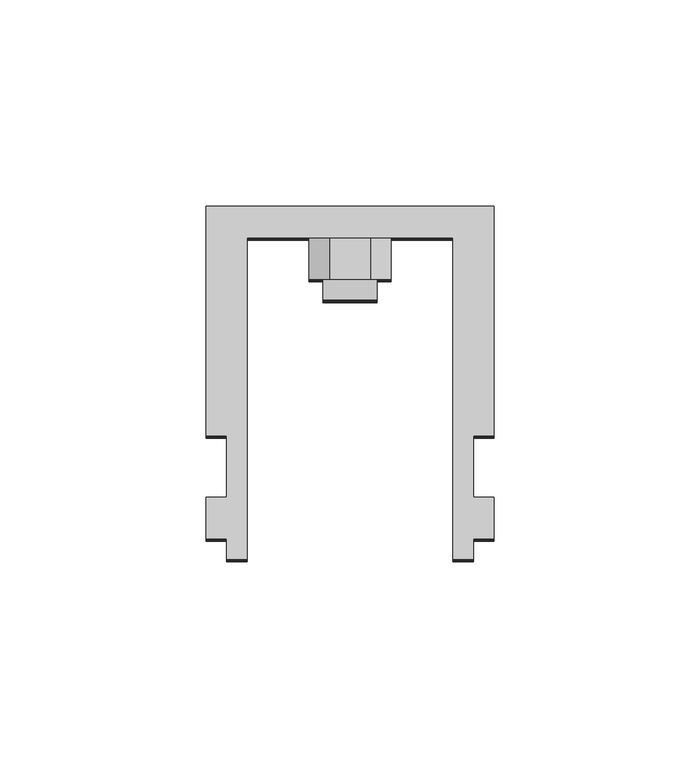
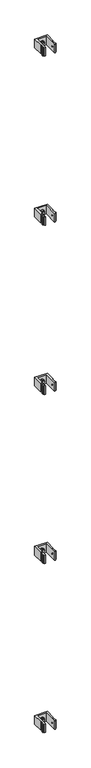
"""IFC4 building model written with IfcOpenShell, lengths in millimetres: plate geometry."""

from ifc_helpers import new_model, si_unit, point, frame, frame_2d, origin, place, context, project, spatial, polyline, circle_curve, trimmed, segment, composite_curve, outline, extrude, source, transform, mapped, element, save
from ifc_brep_helpers import plane_surface, revolved_surface, advanced_brep


def plate_3497cc2c(model_context):
    return source(origin(), model_context, "Body", "SolidModel", [
        advanced_brep(
        [(35.0, 0.0, 3012.5), (-35.0, 0.0, 3012.5), (-35.0, -55.7, 3012.5), (-30.0, -55.7, 3012.5), (-30.0, -70.7, 3012.5), (-35.0, -70.7, 3012.5), (-35.0, -80.7, 3012.5), (-30.0, -80.7, 3012.5), (-30.0, -85.7, 3012.5), (-25.0, -85.7, 3012.5), (-25.0, -7.6780796, 3012.5), (25.0, -7.6780796, 3012.5), (25.0, -85.7, 3012.5), (30.0, -85.7, 3012.5), (30.0, -80.7, 3012.5), (35.0, -80.7, 3012.5), (35.0, -70.7, 3012.5), (30.0, -70.7, 3012.5), (30.0, -55.7, 3012.5), (35.0, -55.7, 3012.5), (35.0, 0.0, 2962.5), (35.0, -55.7, 2962.5), (30.0, -55.7, 2962.5), (30.0, -70.7, 2962.5), (35.0, -70.7, 2962.5), (35.0, -80.7, 2962.5), (30.0, -80.7, 2962.5), (30.0, -85.7, 2962.5), (25.0, -85.7, 2962.5), (25.0, -7.6780796, 2962.5), (-25.0, -7.6780796, 2962.5), (-25.0, -85.7, 2962.5), (-30.0, -85.7, 2962.5), (-30.0, -80.7, 2962.5), (-35.0, -80.7, 2962.5), (-35.0, -70.7, 2962.5), (-30.0, -70.7, 2962.5), (-30.0, -55.7, 2962.5), (-35.0, -55.7, 2962.5), (-35.0, 0.0, 2962.5), (25.0, -60.6624208, 2987.5), (25.0, -65.7375792, 2987.5), (-25.0, -65.7375792, 2987.5), (-25.0, -60.6624208, 2987.5), (30.0, -65.7375792, 2987.5), (30.0, -60.6624208, 2987.5), (-30.0, -60.6624208, 2987.5), (-30.0, -65.7375792, 2987.5)],
        [
            (0, 1),
            (1, 2),
            (2, 3),
            (3, 4),
            (4, 5),
            (5, 6),
            (6, 7),
            (7, 8),
            (8, 9),
            (9, 10),
            (10, 11),
            (11, 12),
            (12, 13),
            (13, 14),
            (14, 15),
            (15, 16),
            (16, 17),
            (17, 18),
            (18, 19),
            (19, 0),
            (20, 21),
            (21, 22),
            (22, 23),
            (23, 24),
            (24, 25),
            (25, 26),
            (26, 27),
            (27, 28),
            (28, 29),
            (29, 30),
            (30, 31),
            (31, 32),
            (32, 33),
            (33, 34),
            (34, 35),
            (35, 36),
            (36, 37),
            (37, 38),
            (38, 39),
            (39, 20),
            (19, 21),
            (20, 0),
            (14, 26),
            (25, 15),
            (13, 27),
            (12, 28),
            (11, 29),
            (40, 41, circle_curve(frame((25.0, -63.2, 2987.5), z_axis=(1.0, 0.0, 0.0), x_axis=(0.0, 1.0, 0.0)), 2.5375792)),
            (41, 40, circle_curve(frame((25.0, -63.2, 2987.5), z_axis=(1.0, 0.0, 0.0), x_axis=(0.0, 1.0, 0.0)), 2.5375792)),
            (10, 30),
            (9, 31),
            (42, 43, circle_curve(frame((-25.0, -63.2, 2987.5), z_axis=(-1.0, 0.0, 0.0), x_axis=(0.0, 1.0, 0.0)), 2.5375792)),
            (43, 42, circle_curve(frame((-25.0, -63.2, 2987.5), z_axis=(-1.0, 0.0, 0.0), x_axis=(0.0, 1.0, 0.0)), 2.5375792)),
            (8, 32),
            (7, 33),
            (6, 34),
            (1, 39),
            (38, 2),
            (18, 22),
            (17, 23),
            (44, 45, circle_curve(frame((30.0, -63.2, 2987.5), z_axis=(-1.0, 0.0, 0.0), x_axis=(0.0, 1.0, 0.0)), 2.5375792)),
            (45, 44, circle_curve(frame((30.0, -63.2, 2987.5), z_axis=(-1.0, 0.0, 0.0), x_axis=(0.0, 1.0, 0.0)), 2.5375792)),
            (16, 24),
            (5, 35),
            (4, 36),
            (3, 37),
            (46, 47, circle_curve(frame((-30.0, -63.2, 2987.5), z_axis=(1.0, 0.0, 0.0), x_axis=(0.0, 1.0, 0.0)), 2.5375792)),
            (47, 46, circle_curve(frame((-30.0, -63.2, 2987.5), z_axis=(1.0, 0.0, 0.0), x_axis=(0.0, 1.0, 0.0)), 2.5375792)),
            (43, 46),
            (47, 42),
            (45, 40),
            (41, 44),
        ],
        [
            plane_surface(frame((35.0, -85.7, 3012.5), z_axis=(0.0, 0.0, 1.0), x_axis=(0.0, -1.0, 0.0))),
            plane_surface(frame((35.0, -85.7, 2962.5), z_axis=(0.0, 0.0, -1.0), x_axis=(0.0, 1.0, 0.0))),
            plane_surface(frame((35.0, 0.0, 3012.5), z_axis=(1.0, 0.0, 0.0), x_axis=(0.0, 0.0, -1.0))),
            plane_surface(frame((35.0, -80.7, 3012.5), z_axis=(0.0, -1.0, 0.0), x_axis=(0.0, 0.0, -1.0))),
            plane_surface(frame((30.0, -80.7, 3012.5), z_axis=(1.0, 0.0, 0.0), x_axis=(0.0, 0.0, -1.0))),
            plane_surface(frame((30.0, -85.7, 3012.5), z_axis=(0.0, -1.0, 0.0), x_axis=(0.0, 0.0, -1.0))),
            plane_surface(frame((25.0, -85.7, 3012.5), z_axis=(-1.0, 0.0, 0.0), x_axis=(0.0, 0.0, -1.0))),
            plane_surface(frame((25.0, -7.6780796, 3012.5), z_axis=(0.0, -1.0, 0.0), x_axis=(0.0, 0.0, -1.0))),
            plane_surface(frame((-25.0, -7.6780796, 3012.5), z_axis=(1.0, 0.0, 0.0), x_axis=(0.0, 0.0, -1.0))),
            plane_surface(frame((-25.0, -85.7, 3012.5), z_axis=(0.0, -1.0, 0.0), x_axis=(0.0, 0.0, -1.0))),
            plane_surface(frame((-30.0, -85.7, 3012.5), z_axis=(-1.0, 0.0, 0.0), x_axis=(0.0, 0.0, -1.0))),
            plane_surface(frame((-30.0, -80.7, 3012.5), z_axis=(0.0, -1.0, 0.0), x_axis=(0.0, 0.0, -1.0))),
            plane_surface(frame((-35.0, -55.7, 3012.5), z_axis=(-1.0, 0.0, 0.0), x_axis=(0.0, 0.0, -1.0))),
            plane_surface(frame((-35.0, 0.0, 3012.5), z_axis=(0.0, 1.0, 0.0), x_axis=(0.0, 0.0, -1.0))),
            plane_surface(frame((35.0, -55.7, 3012.5), z_axis=(0.0, -1.0, 0.0), x_axis=(0.0, 0.0, -1.0))),
            plane_surface(frame((30.0, -55.7, 3012.5), z_axis=(1.0, 0.0, 0.0), x_axis=(0.0, 0.0, -1.0))),
            plane_surface(frame((30.0, -70.7, 3012.5), z_axis=(0.0, 1.0, 0.0), x_axis=(0.0, 0.0, -1.0))),
            plane_surface(frame((35.0, -70.7, 3012.5), z_axis=(1.0, 0.0, 0.0), x_axis=(0.0, 0.0, -1.0))),
            plane_surface(frame((-35.0, -80.7, 3012.5), z_axis=(-1.0, 0.0, 0.0), x_axis=(0.0, 0.0, -1.0))),
            plane_surface(frame((-35.0, -70.7, 3012.5), z_axis=(0.0, 1.0, 0.0), x_axis=(0.0, 0.0, -1.0))),
            plane_surface(frame((-30.0, -70.7, 3012.5), z_axis=(-1.0, 0.0, 0.0), x_axis=(0.0, 0.0, -1.0))),
            plane_surface(frame((-30.0, -55.7, 3012.5), z_axis=(0.0, -1.0, 0.0), x_axis=(0.0, 0.0, -1.0))),
            revolved_surface(polyline([(-30.0, -60.6624208, 2987.5), (-25.0, -60.6624208, 2987.5)]), (35.0, -63.2, 2987.5), (-1.0, 0.0, 0.0)),
            revolved_surface(polyline([(25.0, -60.6624208, 2987.5), (30.0, -60.6624208, 2987.5)]), (35.0, -63.2, 2987.5), (-1.0, 0.0, 0.0)),
        ],
        [
            (0, [[1, 2, 3, 4, 5, 6, 7, 8, 9, 10, 11, 12, 13, 14, 15, 16, 17, 18, 19, 20]]),
            (1, [[21, 22, 23, 24, 25, 26, 27, 28, 29, 30, 31, 32, 33, 34, 35, 36, 37, 38, 39, 40]]),
            (2, [[41, -21, 42, -20]]),
            (3, [[43, -26, 44, -15]]),
            (4, [[45, -27, -43, -14]]),
            (5, [[46, -28, -45, -13]]),
            (6, [[47, -29, -46, -12], [48, 49]]),
            (7, [[50, -30, -47, -11]]),
            (8, [[51, -31, -50, -10], [52, 53]]),
            (9, [[54, -32, -51, -9]]),
            (10, [[55, -33, -54, -8]]),
            (11, [[56, -34, -55, -7]]),
            (12, [[57, -39, 58, -2]]),
            (13, [[-42, -40, -57, -1]]),
            (14, [[59, -22, -41, -19]]),
            (15, [[60, -23, -59, -18], [61, 62]]),
            (16, [[63, -24, -60, -17]]),
            (17, [[-44, -25, -63, -16]]),
            (18, [[64, -35, -56, -6]]),
            (19, [[65, -36, -64, -5]]),
            (20, [[66, -37, -65, -4], [67, 68]]),
            (21, [[-58, -38, -66, -3]]),
            (22, [[-53, 69, -68, 70]]),
            (23, [[-62, 71, -49, 72]]),
            (23, [[-48, -71, -61, -72]]),
            (22, [[-67, -69, -52, -70]]),
        ],
    ),
        extrude(outline(composite_curve([segment(trimmed(circle_curve(frame_2d((2987.5, 0.0)), 6.588831), [point((2987.5, 6.588831))], [point((2987.5, -6.588831))], False, "CARTESIAN"), True, "CONTINUOUS"), segment(trimmed(circle_curve(frame_2d((2987.5, 0.0)), 6.588831), [point((2987.5, -6.588831))], [point((2987.5, 6.588831))], False, "CARTESIAN"), True, "CONTINUOUS")], self_intersect=False)), frame((0.0, -22.7481684, 0.0), z_axis=(0.0, 1.0, 0.0), x_axis=(0.0, 0.0, 1.0)), (0.0, 0.0, 1.0), 5.0),
        extrude(outline(polyline([(2978.839746, 5.0), (2987.5, 10.0), (2996.160254, 5.0), (2996.160254, -5.0), (2987.5, -10.0), (2978.839746, -5.0), (2978.839746, 5.0)])), frame((0.0, -17.7481684, 0.0), z_axis=(0.0, 1.0, 0.0), x_axis=(0.0, 0.0, 1.0)), (0.0, 0.0, 1.0), 10.0700888),
        advanced_brep(
        [(35.0, 0.0, 2025.0), (-35.0, 0.0, 2025.0), (-35.0, -55.7, 2025.0), (-30.0, -55.7, 2025.0), (-30.0, -70.7, 2025.0), (-35.0, -70.7, 2025.0), (-35.0, -80.7, 2025.0), (-30.0, -80.7, 2025.0), (-30.0, -85.7, 2025.0), (-25.0, -85.7, 2025.0), (-25.0, -7.6780796, 2025.0), (25.0, -7.6780796, 2025.0), (25.0, -85.7, 2025.0), (30.0, -85.7, 2025.0), (30.0, -80.7, 2025.0), (35.0, -80.7, 2025.0), (35.0, -70.7, 2025.0), (30.0, -70.7, 2025.0), (30.0, -55.7, 2025.0), (35.0, -55.7, 2025.0), (35.0, 0.0, 1975.0), (35.0, -55.7, 1975.0), (30.0, -55.7, 1975.0), (30.0, -70.7, 1975.0), (35.0, -70.7, 1975.0), (35.0, -80.7, 1975.0), (30.0, -80.7, 1975.0), (30.0, -85.7, 1975.0), (25.0, -85.7, 1975.0), (25.0, -7.6780796, 1975.0), (-25.0, -7.6780796, 1975.0), (-25.0, -85.7, 1975.0), (-30.0, -85.7, 1975.0), (-30.0, -80.7, 1975.0), (-35.0, -80.7, 1975.0), (-35.0, -70.7, 1975.0), (-30.0, -70.7, 1975.0), (-30.0, -55.7, 1975.0), (-35.0, -55.7, 1975.0), (-35.0, 0.0, 1975.0), (25.0, -60.6624208, 2000.0), (25.0, -65.7375792, 2000.0), (-25.0, -65.7375792, 2000.0), (-25.0, -60.6624208, 2000.0), (30.0, -65.7375792, 2000.0), (30.0, -60.6624208, 2000.0), (-30.0, -60.6624208, 2000.0), (-30.0, -65.7375792, 2000.0)],
        [
            (0, 1),
            (1, 2),
            (2, 3),
            (3, 4),
            (4, 5),
            (5, 6),
            (6, 7),
            (7, 8),
            (8, 9),
            (9, 10),
            (10, 11),
            (11, 12),
            (12, 13),
            (13, 14),
            (14, 15),
            (15, 16),
            (16, 17),
            (17, 18),
            (18, 19),
            (19, 0),
            (20, 21),
            (21, 22),
            (22, 23),
            (23, 24),
            (24, 25),
            (25, 26),
            (26, 27),
            (27, 28),
            (28, 29),
            (29, 30),
            (30, 31),
            (31, 32),
            (32, 33),
            (33, 34),
            (34, 35),
            (35, 36),
            (36, 37),
            (37, 38),
            (38, 39),
            (39, 20),
            (19, 21),
            (20, 0),
            (14, 26),
            (25, 15),
            (13, 27),
            (12, 28),
            (11, 29),
            (40, 41, circle_curve(frame((25.0, -63.2, 2000.0), z_axis=(1.0, 0.0, 0.0), x_axis=(0.0, 1.0, 0.0)), 2.5375792)),
            (41, 40, circle_curve(frame((25.0, -63.2, 2000.0), z_axis=(1.0, 0.0, 0.0), x_axis=(0.0, 1.0, 0.0)), 2.5375792)),
            (10, 30),
            (9, 31),
            (42, 43, circle_curve(frame((-25.0, -63.2, 2000.0), z_axis=(-1.0, 0.0, 0.0), x_axis=(0.0, 1.0, 0.0)), 2.5375792)),
            (43, 42, circle_curve(frame((-25.0, -63.2, 2000.0), z_axis=(-1.0, 0.0, 0.0), x_axis=(0.0, 1.0, 0.0)), 2.5375792)),
            (8, 32),
            (7, 33),
            (6, 34),
            (1, 39),
            (38, 2),
            (18, 22),
            (17, 23),
            (44, 45, circle_curve(frame((30.0, -63.2, 2000.0), z_axis=(-1.0, 0.0, 0.0), x_axis=(0.0, 1.0, 0.0)), 2.5375792)),
            (45, 44, circle_curve(frame((30.0, -63.2, 2000.0), z_axis=(-1.0, 0.0, 0.0), x_axis=(0.0, 1.0, 0.0)), 2.5375792)),
            (16, 24),
            (5, 35),
            (4, 36),
            (3, 37),
            (46, 47, circle_curve(frame((-30.0, -63.2, 2000.0), z_axis=(1.0, 0.0, 0.0), x_axis=(0.0, 1.0, 0.0)), 2.5375792)),
            (47, 46, circle_curve(frame((-30.0, -63.2, 2000.0), z_axis=(1.0, 0.0, 0.0), x_axis=(0.0, 1.0, 0.0)), 2.5375792)),
            (43, 46),
            (47, 42),
            (45, 40),
            (41, 44),
        ],
        [
            plane_surface(frame((35.0, -85.7, 2025.0), z_axis=(0.0, 0.0, 1.0), x_axis=(0.0, -1.0, 0.0))),
            plane_surface(frame((35.0, -85.7, 1975.0), z_axis=(0.0, 0.0, -1.0), x_axis=(0.0, 1.0, 0.0))),
            plane_surface(frame((35.0, 0.0, 2025.0), z_axis=(1.0, 0.0, 0.0), x_axis=(0.0, 0.0, -1.0))),
            plane_surface(frame((35.0, -80.7, 2025.0), z_axis=(0.0, -1.0, 0.0), x_axis=(0.0, 0.0, -1.0))),
            plane_surface(frame((30.0, -80.7, 2025.0), z_axis=(1.0, 0.0, 0.0), x_axis=(0.0, 0.0, -1.0))),
            plane_surface(frame((30.0, -85.7, 2025.0), z_axis=(0.0, -1.0, 0.0), x_axis=(0.0, 0.0, -1.0))),
            plane_surface(frame((25.0, -85.7, 2025.0), z_axis=(-1.0, 0.0, 0.0), x_axis=(0.0, 0.0, -1.0))),
            plane_surface(frame((25.0, -7.6780796, 2025.0), z_axis=(0.0, -1.0, 0.0), x_axis=(0.0, 0.0, -1.0))),
            plane_surface(frame((-25.0, -7.6780796, 2025.0), z_axis=(1.0, 0.0, 0.0), x_axis=(0.0, 0.0, -1.0))),
            plane_surface(frame((-25.0, -85.7, 2025.0), z_axis=(0.0, -1.0, 0.0), x_axis=(0.0, 0.0, -1.0))),
            plane_surface(frame((-30.0, -85.7, 2025.0), z_axis=(-1.0, 0.0, 0.0), x_axis=(0.0, 0.0, -1.0))),
            plane_surface(frame((-30.0, -80.7, 2025.0), z_axis=(0.0, -1.0, 0.0), x_axis=(0.0, 0.0, -1.0))),
            plane_surface(frame((-35.0, -55.7, 2025.0), z_axis=(-1.0, 0.0, 0.0), x_axis=(0.0, 0.0, -1.0))),
            plane_surface(frame((-35.0, 0.0, 2025.0), z_axis=(0.0, 1.0, 0.0), x_axis=(0.0, 0.0, -1.0))),
            plane_surface(frame((35.0, -55.7, 2025.0), z_axis=(0.0, -1.0, 0.0), x_axis=(0.0, 0.0, -1.0))),
            plane_surface(frame((30.0, -55.7, 2025.0), z_axis=(1.0, 0.0, 0.0), x_axis=(0.0, 0.0, -1.0))),
            plane_surface(frame((30.0, -70.7, 2025.0), z_axis=(0.0, 1.0, 0.0), x_axis=(0.0, 0.0, -1.0))),
            plane_surface(frame((35.0, -70.7, 2025.0), z_axis=(1.0, 0.0, 0.0), x_axis=(0.0, 0.0, -1.0))),
            plane_surface(frame((-35.0, -80.7, 2025.0), z_axis=(-1.0, 0.0, 0.0), x_axis=(0.0, 0.0, -1.0))),
            plane_surface(frame((-35.0, -70.7, 2025.0), z_axis=(0.0, 1.0, 0.0), x_axis=(0.0, 0.0, -1.0))),
            plane_surface(frame((-30.0, -70.7, 2025.0), z_axis=(-1.0, 0.0, 0.0), x_axis=(0.0, 0.0, -1.0))),
            plane_surface(frame((-30.0, -55.7, 2025.0), z_axis=(0.0, -1.0, 0.0), x_axis=(0.0, 0.0, -1.0))),
            revolved_surface(polyline([(-30.0, -60.6624208, 2000.0), (-25.0, -60.6624208, 2000.0)]), (35.0, -63.2, 2000.0), (-1.0, 0.0, 0.0)),
            revolved_surface(polyline([(25.0, -60.6624208, 2000.0), (30.0, -60.6624208, 2000.0)]), (35.0, -63.2, 2000.0), (-1.0, 0.0, 0.0)),
        ],
        [
            (0, [[1, 2, 3, 4, 5, 6, 7, 8, 9, 10, 11, 12, 13, 14, 15, 16, 17, 18, 19, 20]]),
            (1, [[21, 22, 23, 24, 25, 26, 27, 28, 29, 30, 31, 32, 33, 34, 35, 36, 37, 38, 39, 40]]),
            (2, [[41, -21, 42, -20]]),
            (3, [[43, -26, 44, -15]]),
            (4, [[45, -27, -43, -14]]),
            (5, [[46, -28, -45, -13]]),
            (6, [[47, -29, -46, -12], [48, 49]]),
            (7, [[50, -30, -47, -11]]),
            (8, [[51, -31, -50, -10], [52, 53]]),
            (9, [[54, -32, -51, -9]]),
            (10, [[55, -33, -54, -8]]),
            (11, [[56, -34, -55, -7]]),
            (12, [[57, -39, 58, -2]]),
            (13, [[-42, -40, -57, -1]]),
            (14, [[59, -22, -41, -19]]),
            (15, [[60, -23, -59, -18], [61, 62]]),
            (16, [[63, -24, -60, -17]]),
            (17, [[-44, -25, -63, -16]]),
            (18, [[64, -35, -56, -6]]),
            (19, [[65, -36, -64, -5]]),
            (20, [[66, -37, -65, -4], [67, 68]]),
            (21, [[-58, -38, -66, -3]]),
            (22, [[-53, 69, -68, 70]]),
            (23, [[-62, 71, -49, 72]]),
            (23, [[-48, -71, -61, -72]]),
            (22, [[-67, -69, -52, -70]]),
        ],
    ),
        extrude(outline(composite_curve([segment(trimmed(circle_curve(frame_2d((2000.0, 0.0)), 6.588831), [point((2000.0, 6.588831))], [point((2000.0, -6.588831))], False, "CARTESIAN"), True, "CONTINUOUS"), segment(trimmed(circle_curve(frame_2d((2000.0, 0.0)), 6.588831), [point((2000.0, -6.588831))], [point((2000.0, 6.588831))], False, "CARTESIAN"), True, "CONTINUOUS")], self_intersect=False)), frame((0.0, -22.7481684, 0.0), z_axis=(0.0, 1.0, 0.0), x_axis=(0.0, 0.0, 1.0)), (0.0, 0.0, 1.0), 5.0),
        extrude(outline(polyline([(1991.339746, 5.0), (2000.0, 10.0), (2008.660254, 5.0), (2008.660254, -5.0), (2000.0, -10.0), (1991.339746, -5.0), (1991.339746, 5.0)])), frame((0.0, -17.7481684, 0.0), z_axis=(0.0, 1.0, 0.0), x_axis=(0.0, 0.0, 1.0)), (0.0, 0.0, 1.0), 10.0700888),
        advanced_brep(
        [(35.0, 0.0, 1037.5), (-35.0, 0.0, 1037.5), (-35.0, -55.7, 1037.5), (-30.0, -55.7, 1037.5), (-30.0, -70.7, 1037.5), (-35.0, -70.7, 1037.5), (-35.0, -80.7, 1037.5), (-30.0, -80.7, 1037.5), (-30.0, -85.7, 1037.5), (-25.0, -85.7, 1037.5), (-25.0, -7.6780796, 1037.5), (25.0, -7.6780796, 1037.5), (25.0, -85.7, 1037.5), (30.0, -85.7, 1037.5), (30.0, -80.7, 1037.5), (35.0, -80.7, 1037.5), (35.0, -70.7, 1037.5), (30.0, -70.7, 1037.5), (30.0, -55.7, 1037.5), (35.0, -55.7, 1037.5), (35.0, 0.0, 987.5), (35.0, -55.7, 987.5), (30.0, -55.7, 987.5), (30.0, -70.7, 987.5), (35.0, -70.7, 987.5), (35.0, -80.7, 987.5), (30.0, -80.7, 987.5), (30.0, -85.7, 987.5), (25.0, -85.7, 987.5), (25.0, -7.6780796, 987.5), (-25.0, -7.6780796, 987.5), (-25.0, -85.7, 987.5), (-30.0, -85.7, 987.5), (-30.0, -80.7, 987.5), (-35.0, -80.7, 987.5), (-35.0, -70.7, 987.5), (-30.0, -70.7, 987.5), (-30.0, -55.7, 987.5), (-35.0, -55.7, 987.5), (-35.0, 0.0, 987.5), (25.0, -60.6624208, 1012.5), (25.0, -65.7375792, 1012.5), (-25.0, -65.7375792, 1012.5), (-25.0, -60.6624208, 1012.5), (30.0, -65.7375792, 1012.5), (30.0, -60.6624208, 1012.5), (-30.0, -60.6624208, 1012.5), (-30.0, -65.7375792, 1012.5)],
        [
            (0, 1),
            (1, 2),
            (2, 3),
            (3, 4),
            (4, 5),
            (5, 6),
            (6, 7),
            (7, 8),
            (8, 9),
            (9, 10),
            (10, 11),
            (11, 12),
            (12, 13),
            (13, 14),
            (14, 15),
            (15, 16),
            (16, 17),
            (17, 18),
            (18, 19),
            (19, 0),
            (20, 21),
            (21, 22),
            (22, 23),
            (23, 24),
            (24, 25),
            (25, 26),
            (26, 27),
            (27, 28),
            (28, 29),
            (29, 30),
            (30, 31),
            (31, 32),
            (32, 33),
            (33, 34),
            (34, 35),
            (35, 36),
            (36, 37),
            (37, 38),
            (38, 39),
            (39, 20),
            (19, 21),
            (20, 0),
            (14, 26),
            (25, 15),
            (13, 27),
            (12, 28),
            (11, 29),
            (40, 41, circle_curve(frame((25.0, -63.2, 1012.5), z_axis=(1.0, 0.0, 0.0), x_axis=(0.0, 1.0, 0.0)), 2.5375792)),
            (41, 40, circle_curve(frame((25.0, -63.2, 1012.5), z_axis=(1.0, 0.0, 0.0), x_axis=(0.0, 1.0, 0.0)), 2.5375792)),
            (10, 30),
            (9, 31),
            (42, 43, circle_curve(frame((-25.0, -63.2, 1012.5), z_axis=(-1.0, 0.0, 0.0), x_axis=(0.0, 1.0, 0.0)), 2.5375792)),
            (43, 42, circle_curve(frame((-25.0, -63.2, 1012.5), z_axis=(-1.0, 0.0, 0.0), x_axis=(0.0, 1.0, 0.0)), 2.5375792)),
            (8, 32),
            (7, 33),
            (6, 34),
            (1, 39),
            (38, 2),
            (18, 22),
            (17, 23),
            (44, 45, circle_curve(frame((30.0, -63.2, 1012.5), z_axis=(-1.0, 0.0, 0.0), x_axis=(0.0, 1.0, 0.0)), 2.5375792)),
            (45, 44, circle_curve(frame((30.0, -63.2, 1012.5), z_axis=(-1.0, 0.0, 0.0), x_axis=(0.0, 1.0, 0.0)), 2.5375792)),
            (16, 24),
            (5, 35),
            (4, 36),
            (3, 37),
            (46, 47, circle_curve(frame((-30.0, -63.2, 1012.5), z_axis=(1.0, 0.0, 0.0), x_axis=(0.0, 1.0, 0.0)), 2.5375792)),
            (47, 46, circle_curve(frame((-30.0, -63.2, 1012.5), z_axis=(1.0, 0.0, 0.0), x_axis=(0.0, 1.0, 0.0)), 2.5375792)),
            (43, 46),
            (47, 42),
            (45, 40),
            (41, 44),
        ],
        [
            plane_surface(frame((35.0, -85.7, 1037.5), z_axis=(0.0, 0.0, 1.0), x_axis=(0.0, -1.0, 0.0))),
            plane_surface(frame((35.0, -85.7, 987.5), z_axis=(0.0, 0.0, -1.0), x_axis=(0.0, 1.0, 0.0))),
            plane_surface(frame((35.0, 0.0, 1037.5), z_axis=(1.0, 0.0, 0.0), x_axis=(0.0, 0.0, -1.0))),
            plane_surface(frame((35.0, -80.7, 1037.5), z_axis=(0.0, -1.0, 0.0), x_axis=(0.0, 0.0, -1.0))),
            plane_surface(frame((30.0, -80.7, 1037.5), z_axis=(1.0, 0.0, 0.0), x_axis=(0.0, 0.0, -1.0))),
            plane_surface(frame((30.0, -85.7, 1037.5), z_axis=(0.0, -1.0, 0.0), x_axis=(0.0, 0.0, -1.0))),
            plane_surface(frame((25.0, -85.7, 1037.5), z_axis=(-1.0, 0.0, 0.0), x_axis=(0.0, 0.0, -1.0))),
            plane_surface(frame((25.0, -7.6780796, 1037.5), z_axis=(0.0, -1.0, 0.0), x_axis=(0.0, 0.0, -1.0))),
            plane_surface(frame((-25.0, -7.6780796, 1037.5), z_axis=(1.0, 0.0, 0.0), x_axis=(0.0, 0.0, -1.0))),
            plane_surface(frame((-25.0, -85.7, 1037.5), z_axis=(0.0, -1.0, 0.0), x_axis=(0.0, 0.0, -1.0))),
            plane_surface(frame((-30.0, -85.7, 1037.5), z_axis=(-1.0, 0.0, 0.0), x_axis=(0.0, 0.0, -1.0))),
            plane_surface(frame((-30.0, -80.7, 1037.5), z_axis=(0.0, -1.0, 0.0), x_axis=(0.0, 0.0, -1.0))),
            plane_surface(frame((-35.0, -55.7, 1037.5), z_axis=(-1.0, 0.0, 0.0), x_axis=(0.0, 0.0, -1.0))),
            plane_surface(frame((-35.0, 0.0, 1037.5), z_axis=(0.0, 1.0, 0.0), x_axis=(0.0, 0.0, -1.0))),
            plane_surface(frame((35.0, -55.7, 1037.5), z_axis=(0.0, -1.0, 0.0), x_axis=(0.0, 0.0, -1.0))),
            plane_surface(frame((30.0, -55.7, 1037.5), z_axis=(1.0, 0.0, 0.0), x_axis=(0.0, 0.0, -1.0))),
            plane_surface(frame((30.0, -70.7, 1037.5), z_axis=(0.0, 1.0, 0.0), x_axis=(0.0, 0.0, -1.0))),
            plane_surface(frame((35.0, -70.7, 1037.5), z_axis=(1.0, 0.0, 0.0), x_axis=(0.0, 0.0, -1.0))),
            plane_surface(frame((-35.0, -80.7, 1037.5), z_axis=(-1.0, 0.0, 0.0), x_axis=(0.0, 0.0, -1.0))),
            plane_surface(frame((-35.0, -70.7, 1037.5), z_axis=(0.0, 1.0, 0.0), x_axis=(0.0, 0.0, -1.0))),
            plane_surface(frame((-30.0, -70.7, 1037.5), z_axis=(-1.0, 0.0, 0.0), x_axis=(0.0, 0.0, -1.0))),
            plane_surface(frame((-30.0, -55.7, 1037.5), z_axis=(0.0, -1.0, 0.0), x_axis=(0.0, 0.0, -1.0))),
            revolved_surface(polyline([(-30.0, -60.6624208, 1012.5), (-25.0, -60.6624208, 1012.5)]), (35.0, -63.2, 1012.5), (-1.0, 0.0, 0.0)),
            revolved_surface(polyline([(25.0, -60.6624208, 1012.5), (30.0, -60.6624208, 1012.5)]), (35.0, -63.2, 1012.5), (-1.0, 0.0, 0.0)),
        ],
        [
            (0, [[1, 2, 3, 4, 5, 6, 7, 8, 9, 10, 11, 12, 13, 14, 15, 16, 17, 18, 19, 20]]),
            (1, [[21, 22, 23, 24, 25, 26, 27, 28, 29, 30, 31, 32, 33, 34, 35, 36, 37, 38, 39, 40]]),
            (2, [[41, -21, 42, -20]]),
            (3, [[43, -26, 44, -15]]),
            (4, [[45, -27, -43, -14]]),
            (5, [[46, -28, -45, -13]]),
            (6, [[47, -29, -46, -12], [48, 49]]),
            (7, [[50, -30, -47, -11]]),
            (8, [[51, -31, -50, -10], [52, 53]]),
            (9, [[54, -32, -51, -9]]),
            (10, [[55, -33, -54, -8]]),
            (11, [[56, -34, -55, -7]]),
            (12, [[57, -39, 58, -2]]),
            (13, [[-42, -40, -57, -1]]),
            (14, [[59, -22, -41, -19]]),
            (15, [[60, -23, -59, -18], [61, 62]]),
            (16, [[63, -24, -60, -17]]),
            (17, [[-44, -25, -63, -16]]),
            (18, [[64, -35, -56, -6]]),
            (19, [[65, -36, -64, -5]]),
            (20, [[66, -37, -65, -4], [67, 68]]),
            (21, [[-58, -38, -66, -3]]),
            (22, [[-53, 69, -68, 70]]),
            (23, [[-62, 71, -49, 72]]),
            (23, [[-48, -71, -61, -72]]),
            (22, [[-67, -69, -52, -70]]),
        ],
    ),
        extrude(outline(composite_curve([segment(trimmed(circle_curve(frame_2d((1012.5, 0.0)), 6.588831), [point((1012.5, 6.588831))], [point((1012.5, -6.588831))], False, "CARTESIAN"), True, "CONTINUOUS"), segment(trimmed(circle_curve(frame_2d((1012.5, 0.0)), 6.588831), [point((1012.5, -6.588831))], [point((1012.5, 6.588831))], False, "CARTESIAN"), True, "CONTINUOUS")], self_intersect=False)), frame((0.0, -22.7481684, 0.0), z_axis=(0.0, 1.0, 0.0), x_axis=(0.0, 0.0, 1.0)), (0.0, 0.0, 1.0), 5.0),
        extrude(outline(polyline([(1003.839746, 5.0), (1012.5, 10.0), (1021.160254, 5.0), (1021.160254, -5.0), (1012.5, -10.0), (1003.839746, -5.0), (1003.839746, 5.0)])), frame((0.0, -17.7481684, 0.0), z_axis=(0.0, 1.0, 0.0), x_axis=(0.0, 0.0, 1.0)), (0.0, 0.0, 1.0), 10.0700888),
        advanced_brep(
        [(35.0, 0.0, 4000.0), (-35.0, 0.0, 4000.0), (-35.0, -55.7, 4000.0), (-30.0, -55.7, 4000.0), (-30.0, -70.7, 4000.0), (-35.0, -70.7, 4000.0), (-35.0, -80.7, 4000.0), (-30.0, -80.7, 4000.0), (-30.0, -85.7, 4000.0), (-25.0, -85.7, 4000.0), (-25.0, -7.6780796, 4000.0), (25.0, -7.6780796, 4000.0), (25.0, -85.7, 4000.0), (30.0, -85.7, 4000.0), (30.0, -80.7, 4000.0), (35.0, -80.7, 4000.0), (35.0, -70.7, 4000.0), (30.0, -70.7, 4000.0), (30.0, -55.7, 4000.0), (35.0, -55.7, 4000.0), (35.0, 0.0, 3950.0), (35.0, -55.7, 3950.0), (30.0, -55.7, 3950.0), (30.0, -70.7, 3950.0), (35.0, -70.7, 3950.0), (35.0, -80.7, 3950.0), (30.0, -80.7, 3950.0), (30.0, -85.7, 3950.0), (25.0, -85.7, 3950.0), (25.0, -7.6780796, 3950.0), (-25.0, -7.6780796, 3950.0), (-25.0, -85.7, 3950.0), (-30.0, -85.7, 3950.0), (-30.0, -80.7, 3950.0), (-35.0, -80.7, 3950.0), (-35.0, -70.7, 3950.0), (-30.0, -70.7, 3950.0), (-30.0, -55.7, 3950.0), (-35.0, -55.7, 3950.0), (-35.0, 0.0, 3950.0), (25.0, -60.6624208, 3975.0), (25.0, -65.7375792, 3975.0), (-25.0, -65.7375792, 3975.0), (-25.0, -60.6624208, 3975.0), (30.0, -65.7375792, 3975.0), (30.0, -60.6624208, 3975.0), (-30.0, -60.6624208, 3975.0), (-30.0, -65.7375792, 3975.0)],
        [
            (0, 1),
            (1, 2),
            (2, 3),
            (3, 4),
            (4, 5),
            (5, 6),
            (6, 7),
            (7, 8),
            (8, 9),
            (9, 10),
            (10, 11),
            (11, 12),
            (12, 13),
            (13, 14),
            (14, 15),
            (15, 16),
            (16, 17),
            (17, 18),
            (18, 19),
            (19, 0),
            (20, 21),
            (21, 22),
            (22, 23),
            (23, 24),
            (24, 25),
            (25, 26),
            (26, 27),
            (27, 28),
            (28, 29),
            (29, 30),
            (30, 31),
            (31, 32),
            (32, 33),
            (33, 34),
            (34, 35),
            (35, 36),
            (36, 37),
            (37, 38),
            (38, 39),
            (39, 20),
            (19, 21),
            (20, 0),
            (14, 26),
            (25, 15),
            (13, 27),
            (12, 28),
            (11, 29),
            (40, 41, circle_curve(frame((25.0, -63.2, 3975.0), z_axis=(1.0, 0.0, 0.0), x_axis=(0.0, 1.0, 0.0)), 2.5375792)),
            (41, 40, circle_curve(frame((25.0, -63.2, 3975.0), z_axis=(1.0, 0.0, 0.0), x_axis=(0.0, 1.0, 0.0)), 2.5375792)),
            (10, 30),
            (9, 31),
            (42, 43, circle_curve(frame((-25.0, -63.2, 3975.0), z_axis=(-1.0, 0.0, 0.0), x_axis=(0.0, 1.0, 0.0)), 2.5375792)),
            (43, 42, circle_curve(frame((-25.0, -63.2, 3975.0), z_axis=(-1.0, 0.0, 0.0), x_axis=(0.0, 1.0, 0.0)), 2.5375792)),
            (8, 32),
            (7, 33),
            (6, 34),
            (1, 39),
            (38, 2),
            (18, 22),
            (17, 23),
            (44, 45, circle_curve(frame((30.0, -63.2, 3975.0), z_axis=(-1.0, 0.0, 0.0), x_axis=(0.0, 1.0, 0.0)), 2.5375792)),
            (45, 44, circle_curve(frame((30.0, -63.2, 3975.0), z_axis=(-1.0, 0.0, 0.0), x_axis=(0.0, 1.0, 0.0)), 2.5375792)),
            (16, 24),
            (5, 35),
            (4, 36),
            (3, 37),
            (46, 47, circle_curve(frame((-30.0, -63.2, 3975.0), z_axis=(1.0, 0.0, 0.0), x_axis=(0.0, 1.0, 0.0)), 2.5375792)),
            (47, 46, circle_curve(frame((-30.0, -63.2, 3975.0), z_axis=(1.0, 0.0, 0.0), x_axis=(0.0, 1.0, 0.0)), 2.5375792)),
            (43, 46),
            (47, 42),
            (45, 40),
            (41, 44),
        ],
        [
            plane_surface(frame((35.0, -85.7, 4000.0), z_axis=(0.0, 0.0, 1.0), x_axis=(0.0, -1.0, 0.0))),
            plane_surface(frame((35.0, -85.7, 3950.0), z_axis=(0.0, 0.0, -1.0), x_axis=(0.0, 1.0, 0.0))),
            plane_surface(frame((35.0, 0.0, 4000.0), z_axis=(1.0, 0.0, 0.0), x_axis=(0.0, 0.0, -1.0))),
            plane_surface(frame((35.0, -80.7, 4000.0), z_axis=(0.0, -1.0, 0.0), x_axis=(0.0, 0.0, -1.0))),
            plane_surface(frame((30.0, -80.7, 4000.0), z_axis=(1.0, 0.0, 0.0), x_axis=(0.0, 0.0, -1.0))),
            plane_surface(frame((30.0, -85.7, 4000.0), z_axis=(0.0, -1.0, 0.0), x_axis=(0.0, 0.0, -1.0))),
            plane_surface(frame((25.0, -85.7, 4000.0), z_axis=(-1.0, 0.0, 0.0), x_axis=(0.0, 0.0, -1.0))),
            plane_surface(frame((25.0, -7.6780796, 4000.0), z_axis=(0.0, -1.0, 0.0), x_axis=(0.0, 0.0, -1.0))),
            plane_surface(frame((-25.0, -7.6780796, 4000.0), z_axis=(1.0, 0.0, 0.0), x_axis=(0.0, 0.0, -1.0))),
            plane_surface(frame((-25.0, -85.7, 4000.0), z_axis=(0.0, -1.0, 0.0), x_axis=(0.0, 0.0, -1.0))),
            plane_surface(frame((-30.0, -85.7, 4000.0), z_axis=(-1.0, 0.0, 0.0), x_axis=(0.0, 0.0, -1.0))),
            plane_surface(frame((-30.0, -80.7, 4000.0), z_axis=(0.0, -1.0, 0.0), x_axis=(0.0, 0.0, -1.0))),
            plane_surface(frame((-35.0, -55.7, 4000.0), z_axis=(-1.0, 0.0, 0.0), x_axis=(0.0, 0.0, -1.0))),
            plane_surface(frame((-35.0, 0.0, 4000.0), z_axis=(0.0, 1.0, 0.0), x_axis=(0.0, 0.0, -1.0))),
            plane_surface(frame((35.0, -55.7, 4000.0), z_axis=(0.0, -1.0, 0.0), x_axis=(0.0, 0.0, -1.0))),
            plane_surface(frame((30.0, -55.7, 4000.0), z_axis=(1.0, 0.0, 0.0), x_axis=(0.0, 0.0, -1.0))),
            plane_surface(frame((30.0, -70.7, 4000.0), z_axis=(0.0, 1.0, 0.0), x_axis=(0.0, 0.0, -1.0))),
            plane_surface(frame((35.0, -70.7, 4000.0), z_axis=(1.0, 0.0, 0.0), x_axis=(0.0, 0.0, -1.0))),
            plane_surface(frame((-35.0, -80.7, 4000.0), z_axis=(-1.0, 0.0, 0.0), x_axis=(0.0, 0.0, -1.0))),
            plane_surface(frame((-35.0, -70.7, 4000.0), z_axis=(0.0, 1.0, 0.0), x_axis=(0.0, 0.0, -1.0))),
            plane_surface(frame((-30.0, -70.7, 4000.0), z_axis=(-1.0, 0.0, 0.0), x_axis=(0.0, 0.0, -1.0))),
            plane_surface(frame((-30.0, -55.7, 4000.0), z_axis=(0.0, -1.0, 0.0), x_axis=(0.0, 0.0, -1.0))),
            revolved_surface(polyline([(-30.0, -60.6624208, 3975.0), (-25.0, -60.6624208, 3975.0)]), (35.0, -63.2, 3975.0), (-1.0, 0.0, 0.0)),
            revolved_surface(polyline([(25.0, -60.6624208, 3975.0), (30.0, -60.6624208, 3975.0)]), (35.0, -63.2, 3975.0), (-1.0, 0.0, 0.0)),
        ],
        [
            (0, [[1, 2, 3, 4, 5, 6, 7, 8, 9, 10, 11, 12, 13, 14, 15, 16, 17, 18, 19, 20]]),
            (1, [[21, 22, 23, 24, 25, 26, 27, 28, 29, 30, 31, 32, 33, 34, 35, 36, 37, 38, 39, 40]]),
            (2, [[41, -21, 42, -20]]),
            (3, [[43, -26, 44, -15]]),
            (4, [[45, -27, -43, -14]]),
            (5, [[46, -28, -45, -13]]),
            (6, [[47, -29, -46, -12], [48, 49]]),
            (7, [[50, -30, -47, -11]]),
            (8, [[51, -31, -50, -10], [52, 53]]),
            (9, [[54, -32, -51, -9]]),
            (10, [[55, -33, -54, -8]]),
            (11, [[56, -34, -55, -7]]),
            (12, [[57, -39, 58, -2]]),
            (13, [[-42, -40, -57, -1]]),
            (14, [[59, -22, -41, -19]]),
            (15, [[60, -23, -59, -18], [61, 62]]),
            (16, [[63, -24, -60, -17]]),
            (17, [[-44, -25, -63, -16]]),
            (18, [[64, -35, -56, -6]]),
            (19, [[65, -36, -64, -5]]),
            (20, [[66, -37, -65, -4], [67, 68]]),
            (21, [[-58, -38, -66, -3]]),
            (22, [[-53, 69, -68, 70]]),
            (23, [[-62, 71, -49, 72]]),
            (23, [[-48, -71, -61, -72]]),
            (22, [[-67, -69, -52, -70]]),
        ],
    ),
        extrude(outline(composite_curve([segment(trimmed(circle_curve(frame_2d((3975.0, 0.0)), 6.588831), [point((3975.0, 6.588831))], [point((3975.0, -6.588831))], False, "CARTESIAN"), True, "CONTINUOUS"), segment(trimmed(circle_curve(frame_2d((3975.0, 0.0)), 6.588831), [point((3975.0, -6.588831))], [point((3975.0, 6.588831))], False, "CARTESIAN"), True, "CONTINUOUS")], self_intersect=False)), frame((0.0, -22.7481684, 0.0), z_axis=(0.0, 1.0, 0.0), x_axis=(0.0, 0.0, 1.0)), (0.0, 0.0, 1.0), 5.0),
        extrude(outline(polyline([(3966.339746, 5.0), (3975.0, 10.0), (3983.660254, 5.0), (3983.660254, -5.0), (3975.0, -10.0), (3966.339746, -5.0), (3966.339746, 5.0)])), frame((0.0, -17.7481684, 0.0), z_axis=(0.0, 1.0, 0.0), x_axis=(0.0, 0.0, 1.0)), (0.0, 0.0, 1.0), 10.0700888),
        advanced_brep(
        [(35.0, 0.0, 50.0), (-35.0, 0.0, 50.0), (-35.0, -55.7, 50.0), (-30.0, -55.7, 50.0), (-30.0, -70.7, 50.0), (-35.0, -70.7, 50.0), (-35.0, -80.7, 50.0), (-30.0, -80.7, 50.0), (-30.0, -85.7, 50.0), (-25.0, -85.7, 50.0), (-25.0, -7.6780796, 50.0), (25.0, -7.6780796, 50.0), (25.0, -85.7, 50.0), (30.0, -85.7, 50.0), (30.0, -80.7, 50.0), (35.0, -80.7, 50.0), (35.0, -70.7, 50.0), (30.0, -70.7, 50.0), (30.0, -55.7, 50.0), (35.0, -55.7, 50.0), (35.0, 0.0, 0.0), (35.0, -55.7, 0.0), (30.0, -55.7, 0.0), (30.0, -70.7, 0.0), (35.0, -70.7, 0.0), (35.0, -80.7, 0.0), (30.0, -80.7, 0.0), (30.0, -85.7, 0.0), (25.0, -85.7, 0.0), (25.0, -7.6780796, 0.0), (-25.0, -7.6780796, 0.0), (-25.0, -85.7, 0.0), (-30.0, -85.7, 0.0), (-30.0, -80.7, 0.0), (-35.0, -80.7, 0.0), (-35.0, -70.7, 0.0), (-30.0, -70.7, 0.0), (-30.0, -55.7, 0.0), (-35.0, -55.7, 0.0), (-35.0, 0.0, 0.0), (25.0, -60.6624208, 25.0), (25.0, -65.7375792, 25.0), (-25.0, -65.7375792, 25.0), (-25.0, -60.6624208, 25.0), (30.0, -65.7375792, 25.0), (30.0, -60.6624208, 25.0), (-30.0, -60.6624208, 25.0), (-30.0, -65.7375792, 25.0)],
        [
            (0, 1),
            (1, 2),
            (2, 3),
            (3, 4),
            (4, 5),
            (5, 6),
            (6, 7),
            (7, 8),
            (8, 9),
            (9, 10),
            (10, 11),
            (11, 12),
            (12, 13),
            (13, 14),
            (14, 15),
            (15, 16),
            (16, 17),
            (17, 18),
            (18, 19),
            (19, 0),
            (20, 21),
            (21, 22),
            (22, 23),
            (23, 24),
            (24, 25),
            (25, 26),
            (26, 27),
            (27, 28),
            (28, 29),
            (29, 30),
            (30, 31),
            (31, 32),
            (32, 33),
            (33, 34),
            (34, 35),
            (35, 36),
            (36, 37),
            (37, 38),
            (38, 39),
            (39, 20),
            (19, 21),
            (20, 0),
            (14, 26),
            (25, 15),
            (13, 27),
            (12, 28),
            (11, 29),
            (40, 41, circle_curve(frame((25.0, -63.2, 25.0), z_axis=(1.0, 0.0, 0.0), x_axis=(0.0, 1.0, 0.0)), 2.5375792)),
            (41, 40, circle_curve(frame((25.0, -63.2, 25.0), z_axis=(1.0, 0.0, 0.0), x_axis=(0.0, 1.0, 0.0)), 2.5375792)),
            (10, 30),
            (9, 31),
            (42, 43, circle_curve(frame((-25.0, -63.2, 25.0), z_axis=(-1.0, 0.0, 0.0), x_axis=(0.0, 1.0, 0.0)), 2.5375792)),
            (43, 42, circle_curve(frame((-25.0, -63.2, 25.0), z_axis=(-1.0, 0.0, 0.0), x_axis=(0.0, 1.0, 0.0)), 2.5375792)),
            (8, 32),
            (7, 33),
            (6, 34),
            (1, 39),
            (38, 2),
            (18, 22),
            (17, 23),
            (44, 45, circle_curve(frame((30.0, -63.2, 25.0), z_axis=(-1.0, 0.0, 0.0), x_axis=(0.0, 1.0, 0.0)), 2.5375792)),
            (45, 44, circle_curve(frame((30.0, -63.2, 25.0), z_axis=(-1.0, 0.0, 0.0), x_axis=(0.0, 1.0, 0.0)), 2.5375792)),
            (16, 24),
            (5, 35),
            (4, 36),
            (3, 37),
            (46, 47, circle_curve(frame((-30.0, -63.2, 25.0), z_axis=(1.0, 0.0, 0.0), x_axis=(0.0, 1.0, 0.0)), 2.5375792)),
            (47, 46, circle_curve(frame((-30.0, -63.2, 25.0), z_axis=(1.0, 0.0, 0.0), x_axis=(0.0, 1.0, 0.0)), 2.5375792)),
            (43, 46),
            (47, 42),
            (45, 40),
            (41, 44),
        ],
        [
            plane_surface(frame((35.0, -85.7, 50.0), z_axis=(0.0, 0.0, 1.0), x_axis=(0.0, -1.0, 0.0))),
            plane_surface(frame((35.0, -85.7, 0.0), z_axis=(0.0, 0.0, -1.0), x_axis=(0.0, 1.0, 0.0))),
            plane_surface(frame((35.0, 0.0, 50.0), z_axis=(1.0, 0.0, 0.0), x_axis=(0.0, 0.0, -1.0))),
            plane_surface(frame((35.0, -80.7, 50.0), z_axis=(0.0, -1.0, 0.0), x_axis=(0.0, 0.0, -1.0))),
            plane_surface(frame((30.0, -80.7, 50.0), z_axis=(1.0, 0.0, 0.0), x_axis=(0.0, 0.0, -1.0))),
            plane_surface(frame((30.0, -85.7, 50.0), z_axis=(0.0, -1.0, 0.0), x_axis=(0.0, 0.0, -1.0))),
            plane_surface(frame((25.0, -85.7, 50.0), z_axis=(-1.0, 0.0, 0.0), x_axis=(0.0, 0.0, -1.0))),
            plane_surface(frame((25.0, -7.6780796, 50.0), z_axis=(0.0, -1.0, 0.0), x_axis=(0.0, 0.0, -1.0))),
            plane_surface(frame((-25.0, -7.6780796, 50.0), z_axis=(1.0, 0.0, 0.0), x_axis=(0.0, 0.0, -1.0))),
            plane_surface(frame((-25.0, -85.7, 50.0), z_axis=(0.0, -1.0, 0.0), x_axis=(0.0, 0.0, -1.0))),
            plane_surface(frame((-30.0, -85.7, 50.0), z_axis=(-1.0, 0.0, 0.0), x_axis=(0.0, 0.0, -1.0))),
            plane_surface(frame((-30.0, -80.7, 50.0), z_axis=(0.0, -1.0, 0.0), x_axis=(0.0, 0.0, -1.0))),
            plane_surface(frame((-35.0, -55.7, 50.0), z_axis=(-1.0, 0.0, 0.0), x_axis=(0.0, 0.0, -1.0))),
            plane_surface(frame((-35.0, 0.0, 50.0), z_axis=(0.0, 1.0, 0.0), x_axis=(0.0, 0.0, -1.0))),
            plane_surface(frame((35.0, -55.7, 50.0), z_axis=(0.0, -1.0, 0.0), x_axis=(0.0, 0.0, -1.0))),
            plane_surface(frame((30.0, -55.7, 50.0), z_axis=(1.0, 0.0, 0.0), x_axis=(0.0, 0.0, -1.0))),
            plane_surface(frame((30.0, -70.7, 50.0), z_axis=(0.0, 1.0, 0.0), x_axis=(0.0, 0.0, -1.0))),
            plane_surface(frame((35.0, -70.7, 50.0), z_axis=(1.0, 0.0, 0.0), x_axis=(0.0, 0.0, -1.0))),
            plane_surface(frame((-35.0, -80.7, 50.0), z_axis=(-1.0, 0.0, 0.0), x_axis=(0.0, 0.0, -1.0))),
            plane_surface(frame((-35.0, -70.7, 50.0), z_axis=(0.0, 1.0, 0.0), x_axis=(0.0, 0.0, -1.0))),
            plane_surface(frame((-30.0, -70.7, 50.0), z_axis=(-1.0, 0.0, 0.0), x_axis=(0.0, 0.0, -1.0))),
            plane_surface(frame((-30.0, -55.7, 50.0), z_axis=(0.0, -1.0, 0.0), x_axis=(0.0, 0.0, -1.0))),
            revolved_surface(polyline([(-30.0, -60.6624208, 25.0), (-25.0, -60.6624208, 25.0)]), (35.0, -63.2, 25.0), (-1.0, 0.0, 0.0)),
            revolved_surface(polyline([(25.0, -60.6624208, 25.0), (30.0, -60.6624208, 25.0)]), (35.0, -63.2, 25.0), (-1.0, 0.0, 0.0)),
        ],
        [
            (0, [[1, 2, 3, 4, 5, 6, 7, 8, 9, 10, 11, 12, 13, 14, 15, 16, 17, 18, 19, 20]]),
            (1, [[21, 22, 23, 24, 25, 26, 27, 28, 29, 30, 31, 32, 33, 34, 35, 36, 37, 38, 39, 40]]),
            (2, [[41, -21, 42, -20]]),
            (3, [[43, -26, 44, -15]]),
            (4, [[45, -27, -43, -14]]),
            (5, [[46, -28, -45, -13]]),
            (6, [[47, -29, -46, -12], [48, 49]]),
            (7, [[50, -30, -47, -11]]),
            (8, [[51, -31, -50, -10], [52, 53]]),
            (9, [[54, -32, -51, -9]]),
            (10, [[55, -33, -54, -8]]),
            (11, [[56, -34, -55, -7]]),
            (12, [[57, -39, 58, -2]]),
            (13, [[-42, -40, -57, -1]]),
            (14, [[59, -22, -41, -19]]),
            (15, [[60, -23, -59, -18], [61, 62]]),
            (16, [[63, -24, -60, -17]]),
            (17, [[-44, -25, -63, -16]]),
            (18, [[64, -35, -56, -6]]),
            (19, [[65, -36, -64, -5]]),
            (20, [[66, -37, -65, -4], [67, 68]]),
            (21, [[-58, -38, -66, -3]]),
            (22, [[-53, 69, -68, 70]]),
            (23, [[-62, 71, -49, 72]]),
            (23, [[-48, -71, -61, -72]]),
            (22, [[-67, -69, -52, -70]]),
        ],
    ),
        extrude(outline(composite_curve([segment(trimmed(circle_curve(frame_2d((25.0, 0.0)), 6.588831), [point((25.0, 6.588831))], [point((25.0, -6.588831))], False, "CARTESIAN"), True, "CONTINUOUS"), segment(trimmed(circle_curve(frame_2d((25.0, 0.0)), 6.588831), [point((25.0, -6.588831))], [point((25.0, 6.588831))], False, "CARTESIAN"), True, "CONTINUOUS")], self_intersect=False)), frame((0.0, -22.7481684, 0.0), z_axis=(0.0, 1.0, 0.0), x_axis=(0.0, 0.0, 1.0)), (0.0, 0.0, 1.0), 5.0),
        extrude(outline(polyline([(16.339746, 5.0), (25.0, 10.0), (33.660254, 5.0), (33.660254, -5.0), (25.0, -10.0), (16.339746, -5.0), (16.339746, 5.0)])), frame((0.0, -17.7481684, 0.0), z_axis=(0.0, 1.0, 0.0), x_axis=(0.0, 0.0, 1.0)), (0.0, 0.0, 1.0), 10.0700888),
    ])


if __name__ == "__main__":
    model = new_model("IFC4")
    model_context = context("Model", 3, world=origin())
    ifc_project = project(units=[si_unit("LENGTHUNIT", "METRE", prefix="MILLI")], contexts=[model_context])
    site = spatial("IfcSite", under=ifc_project)
    building = spatial("IfcBuilding", under=site)
    placement = place(None, origin())
    plate_shape = plate_3497cc2c(model_context)
    element("IfcPlate", 1, at=placement, inside=building, context=model_context, shape_type="MappedRepresentation", body=[
        mapped(plate_shape, transform((0.0, 0.0, 0.0), x_axis=(1.0, 0.0, 0.0), y_axis=(0.0, 1.0, 0.0), z_axis=(0.0, 0.0, 1.0))),
    ])
    save(model, "model.ifc")
